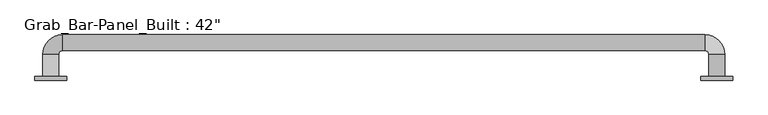
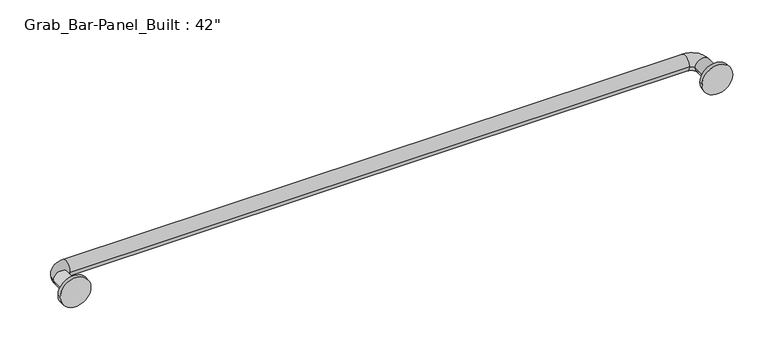
"""IFC4 building model written with IfcOpenShell, lengths in millimetres: proxy geometry."""

from ifc_helpers import new_model, si_unit, point, frame, origin, place, context, project, spatial, circle_curve, ellipse_curve, trimmed, source, transform, mapped, element, save
from ifc_brep_helpers import plane_surface, cylinder_surface, revolved_surface, advanced_brep


def proxy_3f06e1cf(model_context):
    return source(origin(), model_context, "Body", "AdvancedBrep", [
        advanced_brep(
        [(-558.8, 6.35, 0.0), (-508.0, 6.35, 0.0), (-546.1, 6.35, 0.0), (-520.7, 6.35, 0.0), (508.0, 6.35, 0.0), (558.8, 6.35, 0.0), (520.7, 6.35, 0.0), (546.1, 6.35, 0.0), (-558.8, 0.0, 0.0), (-508.0, 0.0, 0.0), (508.0, 0.0, 0.0), (558.8, 0.0, 0.0), (-546.1, 41.275, 0.0), (-520.7, 41.275, 0.0), (-514.35, 47.625, 0.0), (514.35, 47.625, 0.0), (514.35, 73.025, 0.0), (-514.35, 73.025, 0.0), (520.7, 41.275, 0.0), (546.1, 41.275, 0.0)],
        [
            (0, 1, circle_curve(frame((-533.4, 6.35, 0.0), z_axis=(0.0, 1.0, 0.0), x_axis=(1.0, 0.0, 0.0)), 25.4)),
            (1, 0, circle_curve(frame((-533.4, 6.35, 0.0), z_axis=(0.0, 1.0, 0.0), x_axis=(1.0, 0.0, 0.0)), 25.4)),
            (2, 3, circle_curve(frame((-533.4, 6.35, 0.0), z_axis=(0.0, -1.0, 0.0), x_axis=(1.0, 0.0, 0.0)), 12.7)),
            (3, 2, circle_curve(frame((-533.4, 6.35, 0.0), z_axis=(0.0, -1.0, 0.0), x_axis=(1.0, 0.0, 0.0)), 12.7)),
            (4, 5, circle_curve(frame((533.4, 6.35, 0.0), z_axis=(0.0, 1.0, 0.0), x_axis=(1.0, 0.0, 0.0)), 25.4)),
            (5, 4, circle_curve(frame((533.4, 6.35, 0.0), z_axis=(0.0, 1.0, 0.0), x_axis=(1.0, 0.0, 0.0)), 25.4)),
            (6, 7, circle_curve(frame((533.4, 6.35, 0.0), z_axis=(0.0, -1.0, 0.0), x_axis=(-1.0, 0.0, 0.0)), 12.7)),
            (7, 6, circle_curve(frame((533.4, 6.35, 0.0), z_axis=(0.0, -1.0, 0.0), x_axis=(-1.0, 0.0, 0.0)), 12.7)),
            (8, 9, circle_curve(frame((-533.4, 0.0, 0.0), z_axis=(0.0, -1.0, 0.0), x_axis=(1.0, 0.0, 0.0)), 25.4)),
            (9, 8, circle_curve(frame((-533.4, 0.0, 0.0), z_axis=(0.0, -1.0, 0.0), x_axis=(1.0, 0.0, 0.0)), 25.4)),
            (10, 11, circle_curve(frame((533.4, 0.0, 0.0), z_axis=(0.0, -1.0, 0.0), x_axis=(1.0, 0.0, 0.0)), 25.4)),
            (11, 10, circle_curve(frame((533.4, 0.0, 0.0), z_axis=(0.0, -1.0, 0.0), x_axis=(1.0, 0.0, 0.0)), 25.4)),
            (1, 9),
            (8, 0),
            (5, 11),
            (10, 4),
            (12, 2),
            (3, 13),
            (13, 12, circle_curve(frame((-533.4, 41.275, 0.0), z_axis=(0.0, -1.0, 0.0), x_axis=(1.0, 0.0, 0.0)), 12.7)),
            (12, 13, circle_curve(frame((-533.4, 41.275, 0.0), z_axis=(0.0, -1.0, 0.0), x_axis=(1.0, 0.0, 0.0)), 12.7)),
            (14, 15),
            (15, 16, circle_curve(frame((514.35, 60.325, 0.0), z_axis=(-1.0, 0.0, 0.0), x_axis=(0.0, -1.0, 0.0)), 12.7)),
            (16, 17),
            (17, 14, circle_curve(frame((-514.35, 60.325, 0.0), z_axis=(1.0, 0.0, 0.0), x_axis=(0.0, -1.0, 0.0)), 12.7)),
            (16, 15, circle_curve(frame((514.35, 60.325, 0.0), z_axis=(-1.0, 0.0, 0.0), x_axis=(0.0, -1.0, 0.0)), 12.7)),
            (14, 17, circle_curve(frame((-514.35, 60.325, 0.0), z_axis=(1.0, 0.0, 0.0), x_axis=(0.0, -1.0, 0.0)), 12.7)),
            (18, 6),
            (7, 19),
            (19, 18, circle_curve(frame((533.4, 41.275, 0.0), z_axis=(0.0, -1.0, 0.0), x_axis=(-1.0, 0.0, 0.0)), 12.7)),
            (18, 19, circle_curve(frame((533.4, 41.275, 0.0), z_axis=(0.0, -1.0, 0.0), x_axis=(-1.0, 0.0, 0.0)), 12.7)),
            (13, 14, circle_curve(frame((-514.35, 41.275, 0.0), z_axis=(0.0, 0.0, -1.0), x_axis=(-1.0, 0.0, 0.0)), 6.35)),
            (17, 12, circle_curve(frame((-514.35, 41.275, 0.0), z_axis=(0.0, 0.0, 1.0), x_axis=(-1.0, 0.0, 0.0)), 31.75)),
            (15, 18, circle_curve(frame((514.35, 41.275, 0.0), z_axis=(0.0, 0.0, -1.0), x_axis=(0.0, 1.0, 0.0)), 6.35)),
            (19, 16, circle_curve(frame((514.35, 41.275, 0.0), z_axis=(0.0, 0.0, 1.0), x_axis=(0.0, 1.0, 0.0)), 31.75)),
        ],
        [
            plane_surface(frame((-508.0, 6.35, 0.0), z_axis=(0.0, 1.0, 0.0), x_axis=(0.0, 0.0, 1.0))),
            plane_surface(frame((-508.0, 0.0, 0.0), z_axis=(0.0, -1.0, 0.0), x_axis=(0.0, 0.0, -1.0))),
            cylinder_surface(frame((-533.4, 0.0, 0.0), z_axis=(0.0, 1.0, 0.0), x_axis=(1.0, 0.0, 0.0)), 25.4),
            cylinder_surface(frame((533.4, 0.0, 0.0), z_axis=(0.0, 1.0, 0.0), x_axis=(1.0, 0.0, 0.0)), 25.4),
            cylinder_surface(frame((-533.4, 0.0, 0.0), z_axis=(0.0, -1.0, 0.0), x_axis=(1.0, 0.0, 0.0)), 12.7),
            cylinder_surface(frame((-514.35, 60.325, 0.0), z_axis=(-1.0, 0.0, 0.0), x_axis=(0.0, -1.0, 0.0)), 12.7),
            cylinder_surface(frame((533.4, 41.275, 0.0), z_axis=(0.0, 1.0, 0.0), x_axis=(-1.0, 0.0, 0.0)), 12.7),
            revolved_surface(trimmed(ellipse_curve(frame((-533.4, 41.275, 0.0), z_axis=(0.0, 1.0, 0.0), x_axis=(1.0, 0.0, 0.0)), 12.7, 12.7), [point((-546.1, 41.275, 0.0))], [point((-520.7, 41.275, 0.0))], True, "CARTESIAN"), (-514.35, 41.275, 0.0), (0.0, 0.0, 1.0)),
            revolved_surface(trimmed(ellipse_curve(frame((-533.4, 41.275, 0.0), z_axis=(0.0, 1.0, 0.0), x_axis=(1.0, 0.0, 0.0)), 12.7, 12.7), [point((-520.7, 41.275, 0.0))], [point((-546.1, 41.275, 0.0))], True, "CARTESIAN"), (-514.35, 41.275, 0.0), (0.0, 0.0, 1.0)),
            revolved_surface(trimmed(ellipse_curve(frame((514.35, 60.325, 0.0), z_axis=(1.0, 0.0, 0.0), x_axis=(0.0, -1.0, 0.0)), 12.7, 12.7), [point((514.35, 73.025, 0.0))], [point((514.35, 47.625, 0.0))], True, "CARTESIAN"), (514.35, 41.275, 0.0), (0.0, 0.0, 1.0)),
            revolved_surface(trimmed(ellipse_curve(frame((514.35, 60.325, 0.0), z_axis=(1.0, 0.0, 0.0), x_axis=(0.0, -1.0, 0.0)), 12.7, 12.7), [point((514.35, 47.625, 0.0))], [point((514.35, 73.025, 0.0))], True, "CARTESIAN"), (514.35, 41.275, 0.0), (0.0, 0.0, 1.0)),
        ],
        [
            (0, [[1, 2], [3, 4]]),
            (0, [[5, 6], [7, 8]]),
            (1, [[9, 10]]),
            (1, [[11, 12]]),
            (2, [[13, -9, 14, -2]]),
            (2, [[-14, -10, -13, -1]]),
            (3, [[15, -11, 16, -6]]),
            (3, [[-16, -12, -15, -5]]),
            (4, [[17, -4, 18, 19]]),
            (4, [[-18, -3, -17, 20]]),
            (5, [[21, 22, 23, 24]]),
            (5, [[25, -21, 26, -23]]),
            (6, [[27, -8, 28, 29]]),
            (6, [[-28, -7, -27, 30]]),
            (7, [[31, -24, 32, -19]]),
            (8, [[-32, -26, -31, -20]]),
            (9, [[33, -29, 34, -22]]),
            (10, [[-34, -30, -33, -25]]),
        ],
    ),
    ])


if __name__ == "__main__":
    model = new_model("IFC4")
    model_context = context("Model", 3, world=origin())
    ifc_project = project(units=[si_unit("LENGTHUNIT", "METRE", prefix="MILLI")], contexts=[model_context])
    site = spatial("IfcSite", under=ifc_project)
    building = spatial("IfcBuilding", under=site)
    placement = place(None, origin())
    proxy_shape = proxy_3f06e1cf(model_context)
    element("IfcBuildingElementProxy", 1, Name="Grab_Bar-Panel_Built : 42\"", ObjectType="Grab_Bar-Panel_Built : 42\"", at=placement, inside=building, context=model_context, shape_type="MappedRepresentation", body=[
        mapped(proxy_shape, transform((0.0, 0.0, 0.0), x_axis=(1.0, 0.0, 0.0), y_axis=(0.0, 1.0, 0.0), z_axis=(0.0, 0.0, 1.0))),
    ])
    save(model, "model.ifc")
